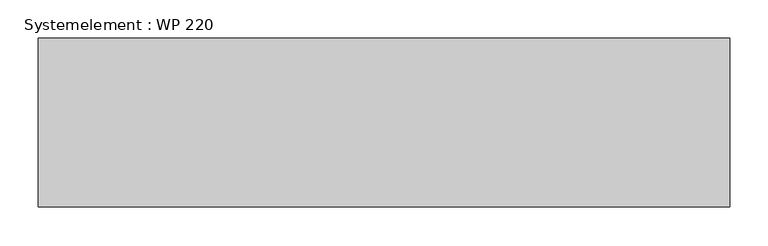
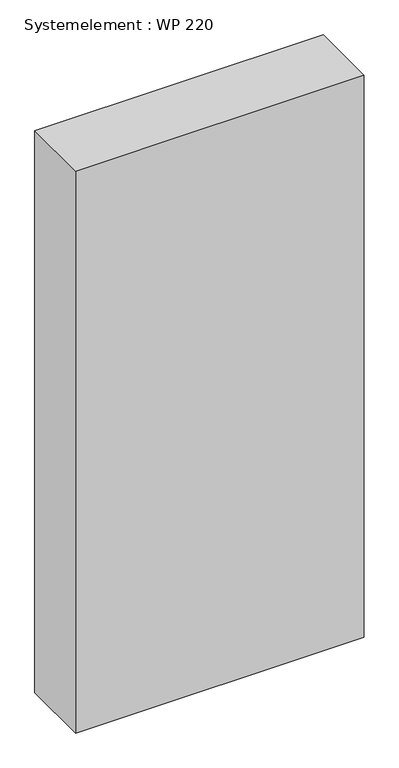
"""IFC4 building model written with IfcOpenShell, lengths in millimetres: plate geometry, Systemelement : WP 220."""

from ifc_helpers import new_model, si_unit, origin, origin_with_axes, place, context, project, spatial, polyline, outline, extrude, source, transform, mapped, element, save


def systemelement_wp_220_78a6713e(model_context):
    return source(origin(), model_context, "Body", "SweptSolid", [
        extrude(outline(polyline([(450.0, -220.0), (-450.0, -220.0), (-450.0, 0.0), (450.0, 0.0), (450.0, -220.0)])), origin_with_axes(), (0.0, 0.0, 1.0), 1851.6147161),
    ])


if __name__ == "__main__":
    model = new_model("IFC4")
    model_context = context("Model", 3, world=origin())
    ifc_project = project(units=[si_unit("LENGTHUNIT", "METRE", prefix="MILLI")], contexts=[model_context])
    site = spatial("IfcSite", under=ifc_project)
    building = spatial("IfcBuilding", under=site)
    placement = place(None, origin())
    systemelement_wp_220_shape = systemelement_wp_220_78a6713e(model_context)
    element("IfcPlate", 1, ObjectType="Systemelement : WP 220", at=placement, inside=building, context=model_context, shape_type="MappedRepresentation", body=[
        mapped(systemelement_wp_220_shape, transform((0.0, 0.0, 0.0), x_axis=(1.0, 0.0, 0.0), y_axis=(0.0, 1.0, 0.0), z_axis=(0.0, 0.0, 1.0))),
    ])
    save(model, "model.ifc")
